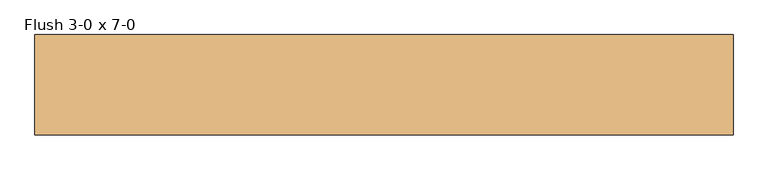
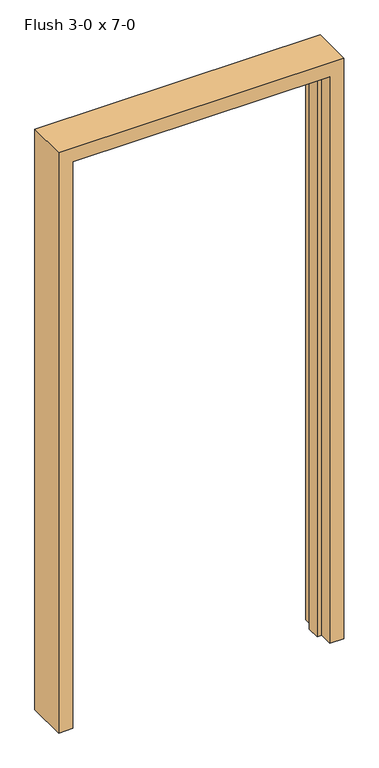
"""IFC4 building model written with IfcOpenShell, lengths in millimetres: door geometry, Flush 3-0 x 7-0."""

import ifcopenshell
import ifcopenshell.guid

model = None  # the IFC model being written
_history = None  # IfcOwnerHistory: only IFC2X3 demands one
_inside = {}  # id of a spatial element -> (the spatial element, [elements in it])
_under = {}  # id of a project, library or spatial element -> (it, [spatial elements below it])
_declared = {}  # id of a project -> (the project, [libraries it declares])
_typed = {}  # id of a type object -> (the type object, [elements of that type])
_made_of = {}  # id of a material, layer set ... -> (it, [elements and type objects made of it])


def new_model(schema):
    """Start an empty IFC model of exactly this schema.

    Asked for "IFC4X3", IfcOpenShell would pick the latest addendum, in which some entities
    have other attributes; the version numbers below select the first issue.
    IFC2X3 requires an IfcOwnerHistory on every rooted entity: one is made here for all.
    """
    global model, _history
    if schema == "IFC4X3":
        model = ifcopenshell.file(schema_version=(4, 3, 0, 0))
    else:
        model = ifcopenshell.file(schema=schema)
    _inside.clear()
    _under.clear()
    _declared.clear()
    _typed.clear()
    _made_of.clear()
    _history = None
    if model.schema == "IFC2X3":
        org = make("IfcOrganization", Name="unknown")
        user = make(
            "IfcPersonAndOrganization",
            ThePerson=make("IfcPerson", FamilyName="unknown"),
            TheOrganization=org,
        )
        app = make(
            "IfcApplication",
            ApplicationDeveloper=org,
            Version="unknown",
            ApplicationFullName="unknown",
            ApplicationIdentifier="unknown",
        )
        _history = make(
            "IfcOwnerHistory",
            OwningUser=user,
            OwningApplication=app,
            ChangeAction="ADDED",
            CreationDate=0,
        )
    return model


def make(cls, **values):
    """One entity of the class cls with the attributes given. An attribute that is None is left unset."""
    return model.create_entity(
        cls, **{name: value for name, value in values.items() if value is not None}
    )


def rooted(cls, **values):
    """An entity with a GlobalId (a new one), such as an element, a storey or a relation."""
    return make(cls, GlobalId=ifcopenshell.guid.new(), OwnerHistory=_history, **values)


def si_unit(unit_type, name, prefix=None):
    """IfcSIUnit, for example si_unit("LENGTHUNIT", "METRE", prefix="MILLI")."""
    return make("IfcSIUnit", UnitType=unit_type, Prefix=prefix, Name=name)


def assignment(units):
    """IfcUnitAssignment: the units of a project."""
    return None if units is None else make("IfcUnitAssignment", Units=units)


def point(xyz):
    """IfcCartesianPoint."""
    return None if xyz is None else make("IfcCartesianPoint", Coordinates=xyz)


def direction(xyz):
    """IfcDirection."""
    return None if xyz is None else make("IfcDirection", DirectionRatios=xyz)


def frame(location, z_axis=None, x_axis=None):
    """IfcAxis2Placement3D, a coordinate frame: its origin and axes. An axis left out is left unset."""
    return make(
        "IfcAxis2Placement3D",
        Location=point(location),
        Axis=direction(z_axis),
        RefDirection=direction(x_axis),
    )


def origin():
    """The frame at (0, 0, 0) with its axes left unset."""
    return frame((0.0, 0.0, 0.0))


def place(relative_to, where):
    """IfcLocalPlacement: puts the frame where relative to a parent placement (None: the world)."""
    return make(
        "IfcLocalPlacement", PlacementRelTo=relative_to, RelativePlacement=where
    )


def context(
    kind, dimensions, precision=None, world=None, true_north=None, identifier=None
):
    """IfcGeometricRepresentationContext, for example the 3D "Model" context."""
    return make(
        "IfcGeometricRepresentationContext",
        ContextIdentifier=identifier,
        ContextType=kind,
        CoordinateSpaceDimension=dimensions,
        Precision=precision,
        WorldCoordinateSystem=world,
        TrueNorth=true_north,
    )


def project(units=None, contexts=None):
    """IfcProject with its units and contexts."""
    return rooted(
        "IfcProject",
        Name="project",
        RepresentationContexts=contexts,
        UnitsInContext=assignment(units),
    )


def spatial(cls, under=None, at=None, **own):
    """A site, building, storey or space (cls), placed at a placement, below another one or the project."""
    s = rooted(cls, ObjectPlacement=at, **own)
    if under is not None:
        _under.setdefault(under.id(), (under, []))[1].append(s)
    return s


def polyline(points):
    """IfcPolyline through the points."""
    return make("IfcPolyline", Points=[point(p) for p in points])


def outline(outer, holes=None, kind="AREA"):
    """IfcArbitraryClosedProfileDef: a profile drawn as a closed curve; with holes, ...WithVoids."""
    if holes is None:
        return make("IfcArbitraryClosedProfileDef", ProfileType=kind, OuterCurve=outer)
    return make(
        "IfcArbitraryProfileDefWithVoids",
        ProfileType=kind,
        OuterCurve=outer,
        InnerCurves=holes,
    )


def extrude(swept, where, along, depth):
    """IfcExtrudedAreaSolid: the profile swept, set in the frame where, extruded along a direction by depth."""
    return make(
        "IfcExtrudedAreaSolid",
        SweptArea=swept,
        Position=where,
        ExtrudedDirection=direction(along),
        Depth=depth,
    )


def shape(context_of_items, identifier, shape_type, items):
    """IfcShapeRepresentation: the items that make up one representation, for example the "Body"."""
    return make(
        "IfcShapeRepresentation",
        ContextOfItems=context_of_items,
        RepresentationIdentifier=identifier,
        RepresentationType=shape_type,
        Items=items,
    )


def source(mapping_origin, context_of_items, identifier, shape_type, items):
    """IfcRepresentationMap: a shape defined once, which mapped items show again and again."""
    return make(
        "IfcRepresentationMap",
        MappingOrigin=mapping_origin,
        MappedRepresentation=shape(context_of_items, identifier, shape_type, items),
    )


def transform(
    local_origin,
    x_axis=None,
    y_axis=None,
    z_axis=None,
    scale=None,
    scale2=None,
    scale3=None,
    uniform=True,
):
    """IfcCartesianTransformationOperator3D, or its non-uniform kind. x_axis, y_axis, z_axis: its Axis1, 2, 3."""
    if uniform:
        return make(
            "IfcCartesianTransformationOperator3D",
            Axis1=direction(x_axis),
            Axis2=direction(y_axis),
            LocalOrigin=point(local_origin),
            Scale=scale,
            Axis3=direction(z_axis),
        )
    return make(
        "IfcCartesianTransformationOperator3DnonUniform",
        Axis1=direction(x_axis),
        Axis2=direction(y_axis),
        LocalOrigin=point(local_origin),
        Scale=scale,
        Axis3=direction(z_axis),
        Scale2=scale2,
        Scale3=scale3,
    )


def mapped(mapping_source, mapping_target):
    """IfcMappedItem: shows the shape of a source again, moved by a transform."""
    return make(
        "IfcMappedItem", MappingSource=mapping_source, MappingTarget=mapping_target
    )


def made_of(thing, what):
    """Note that an element or type object is made of a material, layer set ...; save() writes the relation."""
    if what is not None:
        _made_of.setdefault(what.id(), (what, []))[1].append(thing)
    return thing


def element(
    cls,
    number,
    at=None,
    inside=None,
    cuts=None,
    type_object=None,
    material=None,
    context=None,
    identifier="Body",
    shape_type=None,
    held_by="IfcProductDefinitionShape",
    body=None,
    shapes=None,
    **own,
):
    """One element of the class cls, such as IfcWall. Its Tag is "e" and its number.

    at: its placement. inside: the storey or other place that contains it. cuts: it is an
    opening in that element (IfcRelVoidsElement). A single representation is given by context,
    identifier, shape_type and body (its items); several are given by shapes. held_by: the class
    of the entity that holds the representations. save() writes the other relations.
    """
    e = rooted(cls, Tag="e%d" % number, ObjectPlacement=at, **own)
    if body is not None:
        shapes = [shape(context, identifier, shape_type, body)]
    if shapes is not None:
        e.Representation = make(held_by, Representations=shapes)
    if inside is not None:
        _inside.setdefault(inside.id(), (inside, []))[1].append(e)
    if cuts is not None:
        rooted(
            "IfcRelVoidsElement", RelatingBuildingElement=cuts, RelatedOpeningElement=e
        )
    if type_object is not None:
        _typed.setdefault(type_object.id(), (type_object, []))[1].append(e)
    return made_of(e, material)


def aggregate(whole, parts):
    """IfcRelAggregates: a whole, such as a stair, and the parts it consists of."""
    return rooted("IfcRelAggregates", RelatingObject=whole, RelatedObjects=parts)


def save(model, path):
    """Write the relations noted so far, then the file.

    IfcRelAggregates (storeys below a building ...), IfcRelContainedInSpatialStructure (elements
    in a storey), IfcRelDefinesByType, IfcRelAssociatesMaterial and IfcRelDeclares: one each for
    every whole, place, type object, material and project.
    """
    for whole, parts in _under.values():
        aggregate(whole, parts)
    for where, things in _inside.values():
        rooted(
            "IfcRelContainedInSpatialStructure",
            RelatedElements=things,
            RelatingStructure=where,
        )
    for kind, things in _typed.values():
        rooted("IfcRelDefinesByType", RelatedObjects=things, RelatingType=kind)
    for what, things in _made_of.values():
        rooted("IfcRelAssociatesMaterial", RelatedObjects=things, RelatingMaterial=what)
    for by, libraries in _declared.values():
        rooted("IfcRelDeclares", RelatingContext=by, RelatedDefinitions=libraries)
    model.write(path)


def flush_3_0_x_7_0_18d10aa8(model_context):
    return source(origin(), model_context, "Body", "SweptSolid", [
        extrude(outline(polyline([(0.0, 457.2), (2133.6, 457.2), (2133.6, -457.2), (0.0, -457.2), (0.0, -441.325), (2117.725, -441.325), (2117.725, 441.325), (0.0, 441.325), (0.0, 457.2)])), frame((0.0, -31.75, 0.0), z_axis=(0.0, 1.0, 0.0), x_axis=(0.0, 0.0, 1.0)), (0.0, 0.0, 1.0), 47.625),
        extrude(outline(polyline([(0.0, 457.2), (0.0, 508.0), (2184.4, 508.0), (2184.4, -508.0), (0.0, -508.0), (0.0, -457.2), (2133.6, -457.2), (2133.6, 457.2), (0.0, 457.2)])), frame((0.0, -80.9625, 0.0), z_axis=(0.0, 1.0, 0.0), x_axis=(0.0, 0.0, 1.0)), (0.0, 0.0, 1.0), 146.05),
    ])


if __name__ == "__main__":
    model = new_model("IFC4")
    model_context = context("Model", 3, world=origin())
    ifc_project = project(units=[si_unit("LENGTHUNIT", "METRE", prefix="MILLI")], contexts=[model_context])
    site = spatial("IfcSite", under=ifc_project)
    building = spatial("IfcBuilding", under=site)
    placement = place(None, origin())
    flush_3_0_x_7_0_shape = flush_3_0_x_7_0_18d10aa8(model_context)
    element("IfcDoor", 1, ObjectType="Flush 3-0 x 7-0", at=placement, inside=building, context=model_context, shape_type="MappedRepresentation", body=[
        mapped(flush_3_0_x_7_0_shape, transform((0.0, 0.0, 0.0), x_axis=(1.0, 0.0, 0.0), y_axis=(0.0, 1.0, 0.0), z_axis=(0.0, 0.0, 1.0))),
    ])
    save(model, "model.ifc")
